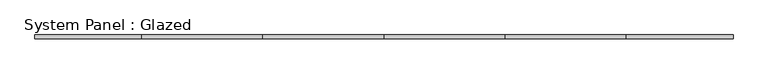
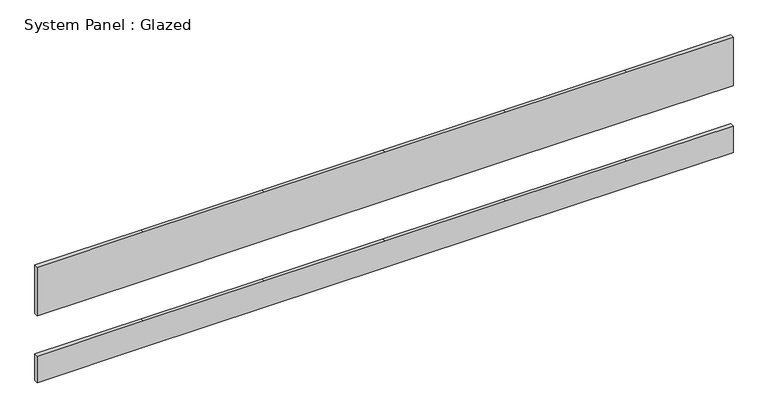
"""IFC4 building model written with IfcOpenShell, lengths in millimetres: plate geometry, System Panel : Glazed."""

from ifc_helpers import new_model, si_unit, frame, origin, place, context, project, spatial, polyline, outline, extrude, source, transform, mapped, element, save


def system_panel_glazed_c0d1bc75(model_context):
    return source(origin(), model_context, "Body", "SweptSolid", [
        extrude(outline(polyline([(0.0, -2273.3), (0.0, -1579.0333333), (0.0, -789.5166667), (0.0, 0.0), (0.0, 789.5166667), (0.0, 1579.0333333), (0.0, 2273.3), (183.2428571, 2273.3), (183.2428571, 1579.0333333), (183.2428571, 789.5166667), (183.2428571, 0.0), (183.2428571, -789.5166667), (183.2428571, -1579.0333333), (183.2428571, -2273.3), (0.0, -2273.3)])), frame((0.0, 19.05, 0.0), z_axis=(0.0, 1.0, 0.0), x_axis=(0.0, 0.0, 1.0)), (0.0, 0.0, 1.0), 25.4),
        extrude(outline(polyline([(462.6428571, -2273.3), (462.6428571, -1579.0333333), (462.6428571, -789.5166667), (462.6428571, 0.0), (462.6428571, 789.5166667), (462.6428571, 1579.0333333), (462.6428571, 2273.3), (798.2857143, 2273.3), (798.2857143, 1579.0333333), (798.2857143, 789.5166667), (798.2857143, 0.0), (798.2857143, -789.5166667), (798.2857143, -1579.0333333), (798.2857143, -2273.3), (462.6428571, -2273.3)])), frame((0.0, 19.05, 0.0), z_axis=(0.0, 1.0, 0.0), x_axis=(0.0, 0.0, 1.0)), (0.0, 0.0, 1.0), 25.4),
    ])


if __name__ == "__main__":
    model = new_model("IFC4")
    model_context = context("Model", 3, world=origin())
    ifc_project = project(units=[si_unit("LENGTHUNIT", "METRE", prefix="MILLI")], contexts=[model_context])
    site = spatial("IfcSite", under=ifc_project)
    building = spatial("IfcBuilding", under=site)
    placement = place(None, origin())
    system_panel_glazed_shape = system_panel_glazed_c0d1bc75(model_context)
    element("IfcPlate", 1, ObjectType="System Panel : Glazed", at=placement, inside=building, context=model_context, shape_type="MappedRepresentation", body=[
        mapped(system_panel_glazed_shape, transform((0.0, 0.0, 0.0), x_axis=(1.0, 0.0, 0.0), y_axis=(0.0, 1.0, 0.0), z_axis=(0.0, 0.0, 1.0))),
    ])
    save(model, "model.ifc")
